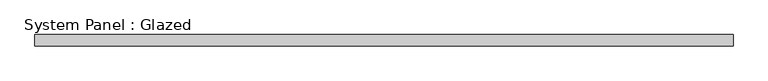
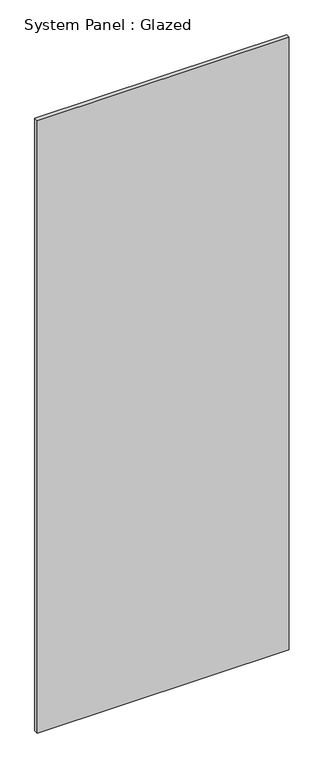
"""IFC4 building model written with IfcOpenShell, lengths in millimetres: plate geometry, System Panel : Glazed."""

from ifc_helpers import new_model, si_unit, origin, origin_with_axes, place, context, project, spatial, polyline, outline, extrude, source, transform, mapped, element, save


def system_panel_glazed_0bb51854(model_context):
    return source(origin(), model_context, "Body", "SweptSolid", [
        extrude(outline(polyline([(769.0628487, 24.5), (-769.0628487, 24.5), (-769.0628487, 49.5), (769.0628487, 49.5), (769.0628487, 24.5)])), origin_with_axes(), (0.0, 0.0, 1.0), 3950.0),
    ])


if __name__ == "__main__":
    model = new_model("IFC4")
    model_context = context("Model", 3, world=origin())
    ifc_project = project(units=[si_unit("LENGTHUNIT", "METRE", prefix="MILLI")], contexts=[model_context])
    site = spatial("IfcSite", under=ifc_project)
    building = spatial("IfcBuilding", under=site)
    placement = place(None, origin())
    system_panel_glazed_shape = system_panel_glazed_0bb51854(model_context)
    element("IfcPlate", 1, ObjectType="System Panel : Glazed", at=placement, inside=building, context=model_context, shape_type="MappedRepresentation", body=[
        mapped(system_panel_glazed_shape, transform((0.0, 0.0, 0.0), x_axis=(1.0, 0.0, 0.0), y_axis=(0.0, 1.0, 0.0), z_axis=(0.0, 0.0, 1.0))),
    ])
    save(model, "model.ifc")
